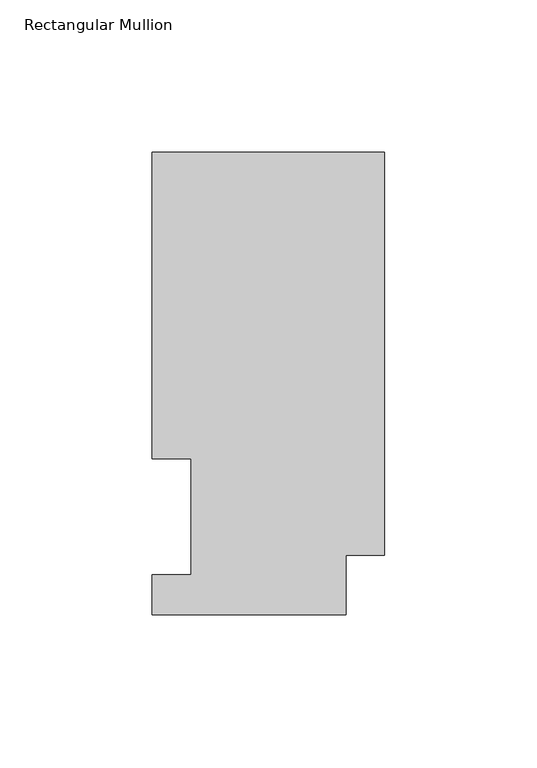
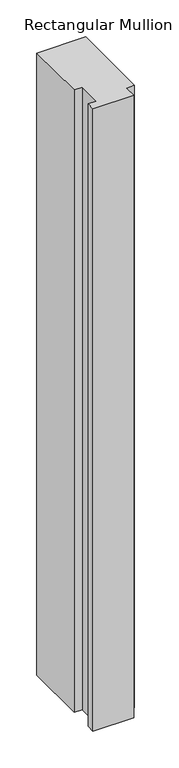
"""IFC4 building model written with IfcOpenShell, lengths in millimetres: member geometry, Rectangular Mullion."""

from ifc_helpers import new_model, si_unit, frame, origin, place, context, project, spatial, polyline, outline, extrude, source, transform, mapped, element, save


def rectangular_mullion_0a2a51b9(model_context):
    return source(origin(), model_context, "Body", "SweptSolid", [
        extrude(outline(polyline([(-76.2, 51.2960938), (-76.2, 151.7022937), (0.0, 151.7022937), (0.0, 19.5455957), (-12.7, 19.5455957), (-12.7, 0.0134937), (-76.2, 0.0134937), (-76.2, 13.1960937), (-63.5, 13.1960937), (-63.5, 51.2960938), (-76.2, 51.2960938)])), frame((0.0, 0.0, -1028.7), z_axis=(0.0, 0.0, 1.0), x_axis=(1.0, 0.0, 0.0)), (0.0, 0.0, 1.0), 1028.7),
    ])


if __name__ == "__main__":
    model = new_model("IFC4")
    model_context = context("Model", 3, world=origin())
    ifc_project = project(units=[si_unit("LENGTHUNIT", "METRE", prefix="MILLI")], contexts=[model_context])
    site = spatial("IfcSite", under=ifc_project)
    building = spatial("IfcBuilding", under=site)
    placement = place(None, origin())
    rectangular_mullion_shape = rectangular_mullion_0a2a51b9(model_context)
    element("IfcMember", 1, ObjectType="Rectangular Mullion", at=placement, inside=building, context=model_context, shape_type="MappedRepresentation", body=[
        mapped(rectangular_mullion_shape, transform((0.0, 0.0, 0.0), x_axis=(1.0, 0.0, 0.0), y_axis=(0.0, 1.0, 0.0), z_axis=(0.0, 0.0, 1.0))),
    ])
    save(model, "model.ifc")
